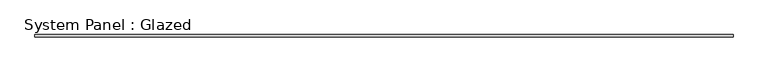
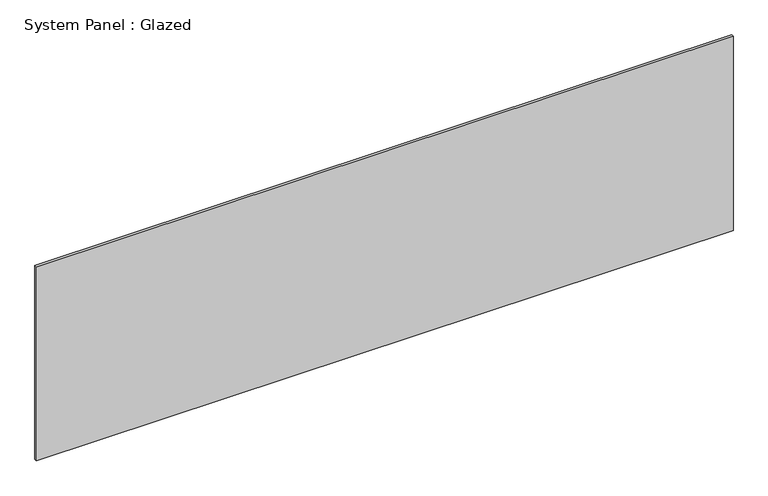
"""IFC4 building model written with IfcOpenShell, lengths in millimetres: plate geometry, System Panel : Glazed."""

from ifc_helpers import new_model, si_unit, origin, origin_with_axes, place, context, project, spatial, polyline, outline, extrude, source, transform, mapped, element, save


def system_panel_glazed_8dd99c5f(model_context):
    return source(origin(), model_context, "Body", "SweptSolid", [
        extrude(outline(polyline([(3446.9382835, 24.5), (-3446.9382835, 24.5), (-3446.9382835, 49.5), (3446.9382835, 49.5), (3446.9382835, 24.5)])), origin_with_axes(), (0.0, 0.0, 1.0), 2031.5660132),
    ])


if __name__ == "__main__":
    model = new_model("IFC4")
    model_context = context("Model", 3, world=origin())
    ifc_project = project(units=[si_unit("LENGTHUNIT", "METRE", prefix="MILLI")], contexts=[model_context])
    site = spatial("IfcSite", under=ifc_project)
    building = spatial("IfcBuilding", under=site)
    placement = place(None, origin())
    system_panel_glazed_shape = system_panel_glazed_8dd99c5f(model_context)
    element("IfcPlate", 1, ObjectType="System Panel : Glazed", at=placement, inside=building, context=model_context, shape_type="MappedRepresentation", body=[
        mapped(system_panel_glazed_shape, transform((0.0, 0.0, 0.0), x_axis=(1.0, 0.0, 0.0), y_axis=(0.0, 1.0, 0.0), z_axis=(0.0, 0.0, 1.0))),
    ])
    save(model, "model.ifc")
